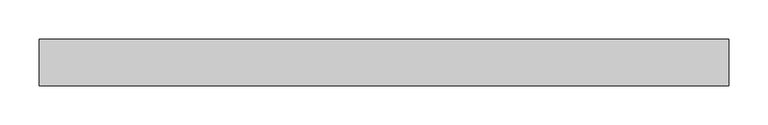
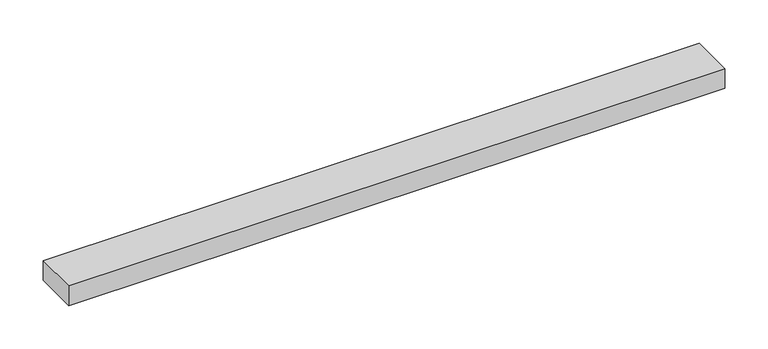
"""IFC4 building model written with IfcOpenShell, lengths in millimetres: proxy geometry."""

from ifc_helpers import new_model, si_unit, frame, origin, place, context, project, spatial, polyline, outline, extrude, source, transform, mapped, element, save


def specialty_equipment_19ab3275(model_context):
    return source(origin(), model_context, "Body", "SweptSolid", [
        extrude(outline(polyline([(-436.8989698, 29.2199219), (436.8989698, 29.2199219), (436.8989698, -29.2199219), (-436.8989698, -29.2199219), (-436.8989698, 29.2199219)])), frame((0.0, 0.0, -13.9898438), z_axis=(0.0, 0.0, 1.0), x_axis=(1.0, 0.0, 0.0)), (0.0, 0.0, 1.0), 27.9796875),
    ])


if __name__ == "__main__":
    model = new_model("IFC4")
    model_context = context("Model", 3, world=origin())
    ifc_project = project(units=[si_unit("LENGTHUNIT", "METRE", prefix="MILLI")], contexts=[model_context])
    site = spatial("IfcSite", under=ifc_project)
    building = spatial("IfcBuilding", under=site)
    placement = place(None, origin())
    specialty_equipment_shape = specialty_equipment_19ab3275(model_context)
    element("IfcBuildingElementProxy", 1, Name="Specialty Equipment", at=placement, inside=building, context=model_context, shape_type="MappedRepresentation", body=[
        mapped(specialty_equipment_shape, transform((0.0, 0.0, 0.0), x_axis=(1.0, 0.0, 0.0), y_axis=(0.0, 1.0, 0.0), z_axis=(0.0, 0.0, 1.0))),
    ])
    save(model, "model.ifc")
